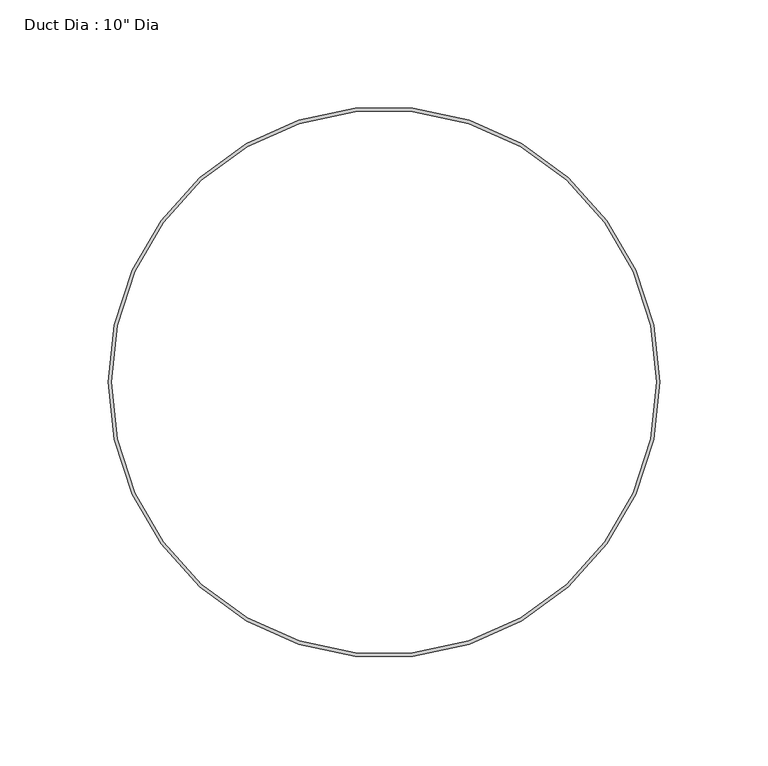
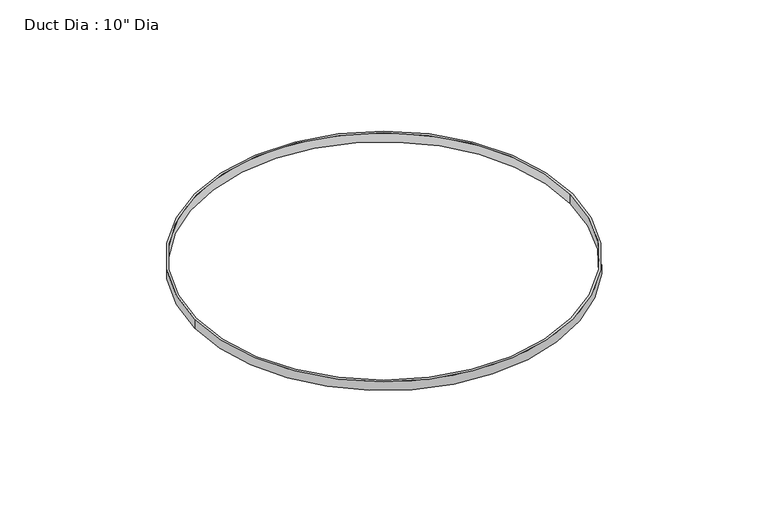
"""IFC4 building model written with IfcOpenShell, lengths in millimetres: proxy geometry."""

from ifc_helpers import new_model, si_unit, point, origin, origin_with_axes, origin_2d, place, context, project, spatial, circle_curve, trimmed, segment, composite_curve, outline, extrude, source, transform, mapped, element, save


def proxy_b8b27e65(model_context):
    return source(origin(), model_context, "Body", "SweptSolid", [
        extrude(outline(composite_curve([segment(trimmed(circle_curve(origin_2d(), 127.0), [point((-127.0, 0.0))], [point((127.0, 0.0))], False, "CARTESIAN"), True, "CONTINUOUS"), segment(trimmed(circle_curve(origin_2d(), 127.0), [point((127.0, 0.0))], [point((-127.0, 0.0))], False, "CARTESIAN"), True, "CONTINUOUS")], self_intersect=False), holes=[composite_curve([segment(trimmed(circle_curve(origin_2d(), 125.4125), [point((-125.4125, 0.0))], [point((125.4125, 0.0))], True, "CARTESIAN"), True, "CONTINUOUS"), segment(trimmed(circle_curve(origin_2d(), 125.4125), [point((125.4125, 0.0))], [point((-125.4125, 0.0))], True, "CARTESIAN"), True, "CONTINUOUS")], self_intersect=False)]), origin_with_axes(), (0.0, 0.0, 1.0), 6.35),
    ])


if __name__ == "__main__":
    model = new_model("IFC4")
    model_context = context("Model", 3, world=origin())
    ifc_project = project(units=[si_unit("LENGTHUNIT", "METRE", prefix="MILLI")], contexts=[model_context])
    site = spatial("IfcSite", under=ifc_project)
    building = spatial("IfcBuilding", under=site)
    placement = place(None, origin())
    proxy_shape = proxy_b8b27e65(model_context)
    element("IfcBuildingElementProxy", 1, Name="Duct Dia : 10\" Dia", ObjectType="Duct Dia : 10\" Dia", at=placement, inside=building, context=model_context, shape_type="MappedRepresentation", body=[
        mapped(proxy_shape, transform((0.0, 0.0, 0.0), x_axis=(1.0, 0.0, 0.0), y_axis=(0.0, 1.0, 0.0), z_axis=(0.0, 0.0, 1.0))),
    ])
    save(model, "model.ifc")
